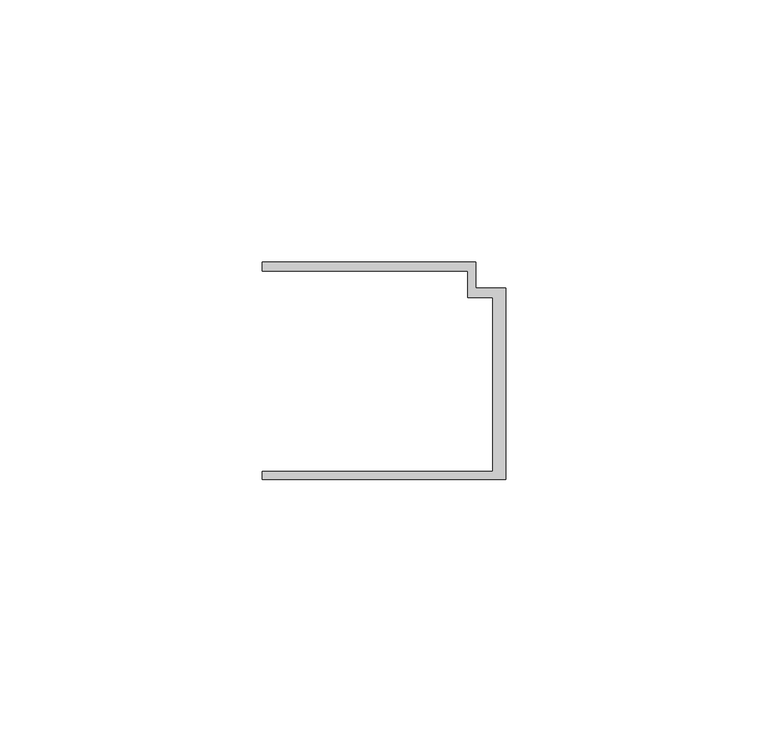
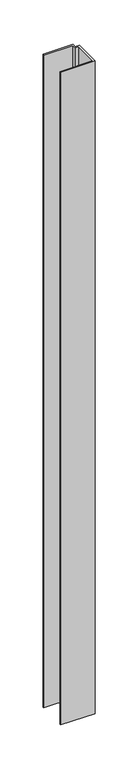
"""IFC4 building model written with IfcOpenShell, lengths in millimetres: member geometry."""

from ifc_helpers import new_model, si_unit, frame, origin, place, context, project, spatial, polyline, outline, extrude, source, transform, mapped, element, save


def member_5d9376a2(model_context):
    return source(origin(), model_context, "Body", "SweptSolid", [
        extrude(outline(polyline([(-46.3, -19.2), (-2.4, -19.2), (-2.4, 14.0), (-7.2, 14.0), (-7.2, 19.0), (-46.3, 19.0), (-46.3, 20.7), (-5.6999992, 20.7), (-5.6999992, 15.8), (0.0, 15.8), (0.0, -20.7), (-46.3, -20.7), (-46.3, -19.2)])), frame((0.0, 0.0, -925.3708917), z_axis=(0.0, 0.0, 1.0), x_axis=(1.0, 0.0, 0.0)), (0.0, 0.0, 1.0), 925.3708917),
    ])


if __name__ == "__main__":
    model = new_model("IFC4")
    model_context = context("Model", 3, world=origin())
    ifc_project = project(units=[si_unit("LENGTHUNIT", "METRE", prefix="MILLI")], contexts=[model_context])
    site = spatial("IfcSite", under=ifc_project)
    building = spatial("IfcBuilding", under=site)
    placement = place(None, origin())
    member_shape = member_5d9376a2(model_context)
    element("IfcMember", 1, at=placement, inside=building, context=model_context, shape_type="MappedRepresentation", body=[
        mapped(member_shape, transform((0.0, 0.0, 0.0), x_axis=(1.0, 0.0, 0.0), y_axis=(0.0, 1.0, 0.0), z_axis=(0.0, 0.0, 1.0))),
    ])
    save(model, "model.ifc")
